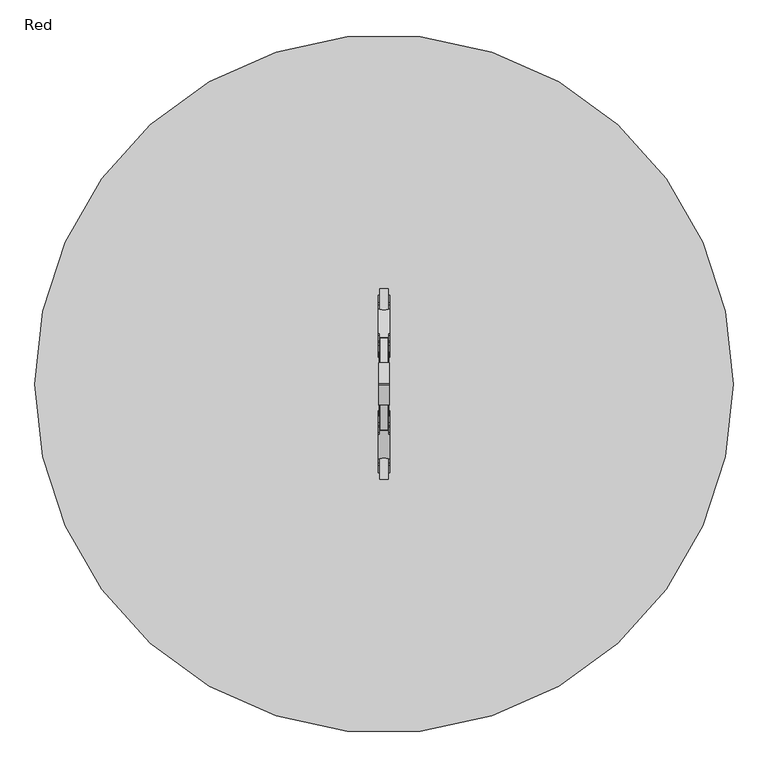
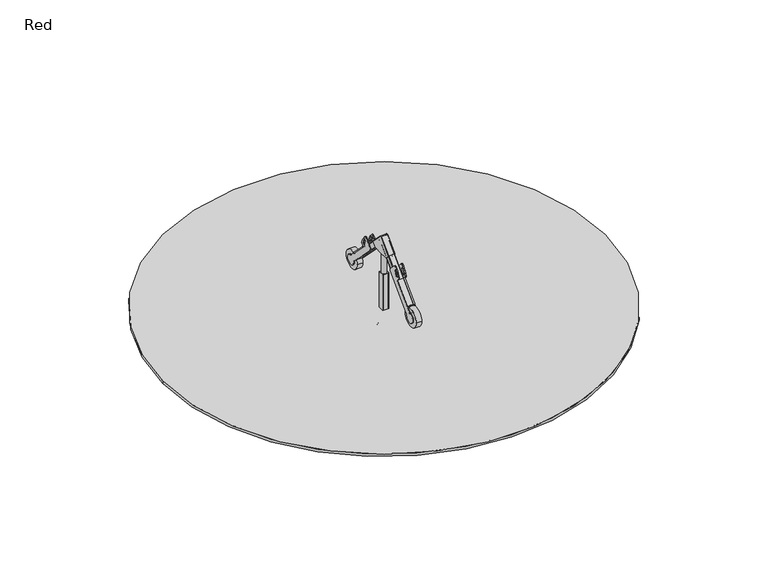
"""IFC4 building model written with IfcOpenShell, lengths in millimetres: furniture geometry, Red."""

from ifc_helpers import new_model, si_unit, point, frame, frame_2d, origin, place, context, project, spatial, polyline, circle_curve, trimmed, segment, composite_curve, outline, extrude, source, transform, mapped, element, save
from ifc_brep_helpers import plane_surface, cylinder_surface, extruded_surface, advanced_brep


def red_2515cc6c(model_context):
    return source(origin(), model_context, "Body", "SolidModel", [
        extrude(outline(composite_curve([segment(trimmed(circle_curve(frame_2d((638.5, 902.5)), 5.0), [point((643.5, 902.5))], [point((638.5, 897.5))], False, "CARTESIAN"), True, "CONTINUOUS"), segment(polyline([(638.5, 897.5), (553.5, 897.5)]), True, "CONTINUOUS"), segment(trimmed(circle_curve(frame_2d((553.5, 902.5)), 5.0), [point((553.5, 897.5))], [point((548.5, 902.5))], False, "CARTESIAN"), True, "CONTINUOUS"), segment(polyline([(548.5, 902.5), (548.5, 987.5)]), True, "CONTINUOUS"), segment(trimmed(circle_curve(frame_2d((553.5, 987.5)), 5.0), [point((548.5, 987.5))], [point((553.5, 992.5))], False, "CARTESIAN"), True, "CONTINUOUS"), segment(polyline([(553.5, 992.5), (638.5, 992.5)]), True, "CONTINUOUS"), segment(trimmed(circle_curve(frame_2d((638.5, 987.5)), 5.0), [point((638.5, 992.5))], [point((643.5, 987.5))], False, "CARTESIAN"), True, "CONTINUOUS"), segment(polyline([(643.5, 987.5), (643.5, 902.5)]), True, "CONTINUOUS")], self_intersect=False)), frame((0.0, 0.0, -600.0), z_axis=(0.0, 0.0, 1.0), x_axis=(1.0, 0.0, 0.0)), (0.0, 0.0, 1.0), 500.0),
        advanced_brep(
        [(686.0, 1095.0, -600.0), (746.0, 1035.0, -600.0), (746.0, 855.0, -600.0), (686.0, 795.0, -600.0), (506.0, 795.0, -600.0), (446.0, 855.0, -600.0), (446.0, 1035.0, -600.0), (506.0, 1095.0, -600.0), (506.0, 1095.0, -460.0), (686.0, 1095.0, -460.0), (446.0, 855.0, -460.0), (446.0, 1035.0, -460.0), (686.0, 795.0, -460.0), (506.0, 795.0, -460.0), (746.0, 1035.0, -460.0), (746.0, 855.0, -460.0), (583.7040451, 1017.6989403, -250.0), (523.7040451, 957.6989403, -250.0), (523.7040451, 932.3010597, -250.0), (583.7040451, 872.3010597, -250.0), (608.2959549, 872.3010597, -250.0), (668.2959549, 932.3010597, -250.0), (668.2959549, 957.6989403, -250.0), (608.2959549, 1017.6989403, -250.0)],
        [
            (0, 1, circle_curve(frame((686.0, 1035.0, -600.0), z_axis=(0.0, 0.0, -1.0), x_axis=(1.0, 0.0, 0.0)), 60.0)),
            (1, 2),
            (2, 3, circle_curve(frame((686.0, 855.0, -600.0), z_axis=(0.0, 0.0, -1.0), x_axis=(1.0, 0.0, 0.0)), 60.0)),
            (3, 4),
            (4, 5, circle_curve(frame((506.0, 855.0, -600.0), z_axis=(0.0, 0.0, -1.0), x_axis=(1.0, 0.0, 0.0)), 60.0)),
            (5, 6),
            (6, 7, circle_curve(frame((506.0, 1035.0, -600.0), z_axis=(0.0, 0.0, -1.0), x_axis=(1.0, 0.0, 0.0)), 60.0)),
            (7, 0),
            (7, 8),
            (8, 9),
            (9, 0),
            (5, 10),
            (10, 11),
            (11, 6),
            (3, 12),
            (12, 13),
            (13, 4),
            (1, 14),
            (14, 15),
            (15, 2),
            (16, 17, circle_curve(frame((583.7040451, 957.6989403, -250.0), z_axis=(0.0, 0.0, 1.0), x_axis=(1.0, 0.0, 0.0)), 60.0)),
            (17, 18),
            (18, 19, circle_curve(frame((583.7040451, 932.3010597, -250.0), z_axis=(0.0, 0.0, 1.0), x_axis=(1.0, 0.0, 0.0)), 60.0)),
            (19, 20),
            (20, 21, circle_curve(frame((608.2959549, 932.3010597, -250.0), z_axis=(0.0, 0.0, 1.0), x_axis=(1.0, 0.0, 0.0)), 60.0)),
            (21, 22),
            (22, 23, circle_curve(frame((608.2959549, 957.6989403, -250.0), z_axis=(0.0, 0.0, 1.0), x_axis=(1.0, 0.0, 0.0)), 60.0)),
            (23, 16),
            (17, 11),
            (10, 18),
            (19, 13),
            (12, 20),
            (21, 15),
            (14, 22),
            (23, 9),
            (8, 16),
            (11, 8, circle_curve(frame((506.0, 1035.0, -460.0), z_axis=(0.0, 0.0, -1.0), x_axis=(1.0, 0.0, 0.0)), 60.0)),
            (13, 10, circle_curve(frame((506.0, 855.0, -460.0), z_axis=(0.0, 0.0, -1.0), x_axis=(1.0, 0.0, 0.0)), 60.0)),
            (15, 12, circle_curve(frame((686.0, 855.0, -460.0), z_axis=(0.0, 0.0, -1.0), x_axis=(1.0, 0.0, 0.0)), 60.0)),
            (9, 14, circle_curve(frame((686.0, 1035.0, -460.0), z_axis=(0.0, 0.0, -1.0), x_axis=(1.0, 0.0, 0.0)), 60.0)),
        ],
        [
            plane_surface(frame((419.3670318, 1095.0, -600.0), z_axis=(0.0, 0.0, -1.0), x_axis=(1.0, 0.0, 0.0))),
            plane_surface(frame((686.0, 1095.0, -460.0), z_axis=(0.0, 1.0, 0.0), x_axis=(0.0, 0.0, -1.0))),
            plane_surface(frame((446.0, 1035.0, -460.0), z_axis=(-1.0, 0.0, 0.0), x_axis=(0.0, 0.0, -1.0))),
            plane_surface(frame((506.0, 795.0, -460.0), z_axis=(0.0, -1.0, 0.0), x_axis=(0.0, 0.0, -1.0))),
            plane_surface(frame((746.0, 855.0, -460.0), z_axis=(1.0, 0.0, 0.0), x_axis=(0.0, 0.0, -1.0))),
            plane_surface(frame((596.0, 945.0, -250.0), z_axis=(0.0, 0.0, 1.0), x_axis=(-1.0, 0.0, 0.0))),
            plane_surface(frame((446.0, 945.0, -460.0), z_axis=(-0.9378559633153523, 0.0, 0.3470247715564883), x_axis=(0.0, -1.0, 0.0))),
            plane_surface(frame((596.0, 795.0, -460.0), z_axis=(0.0, -0.9384407279810882, 0.3454402988452927), x_axis=(1.0, 0.0, 0.0))),
            plane_surface(frame((746.0, 945.0, -460.0), z_axis=(0.9378559633153524, 0.0, 0.34702477155648764), x_axis=(0.0, 1.0, 0.0))),
            plane_surface(frame((596.0, 1095.0, -460.0), z_axis=(0.0, 0.9384407279810884, 0.3454402988452924), x_axis=(-1.0, 0.0, 0.0))),
            cylinder_surface(frame((506.0, 1035.0, -600.0), z_axis=(0.0, 0.0, 1.0), x_axis=(1.0, 0.0, 0.0)), 60.0),
            cylinder_surface(frame((506.0, 855.0, -600.0), z_axis=(0.0, 0.0, 1.0), x_axis=(1.0, 0.0, 0.0)), 60.0),
            cylinder_surface(frame((686.0, 855.0, -600.0), z_axis=(0.0, 0.0, 1.0), x_axis=(1.0, 0.0, 0.0)), 60.0),
            cylinder_surface(frame((686.0, 1035.0, -600.0), z_axis=(0.0, 0.0, 1.0), x_axis=(1.0, 0.0, 0.0)), 60.0),
            extruded_surface(trimmed(circle_curve(frame((506.0, 1035.0, -460.0), z_axis=(0.0, 0.0, 1.0), x_axis=(1.0, 0.0, 0.0)), 60.0), [point((506.0, 1095.0, -460.0))], [point((446.0, 1035.0, -460.0))], True, "CARTESIAN"), (77.70404510000003, -77.3010597, 210.0), 236.88261324049472),
            extruded_surface(trimmed(circle_curve(frame((686.0, 1035.0, -460.0), z_axis=(0.0, 0.0, 1.0), x_axis=(1.0, 0.0, 0.0)), 60.0), [point((746.0, 1035.0, -460.0))], [point((686.0, 1095.0, -460.0))], True, "CARTESIAN"), (-77.70404510000003, -77.3010597, 210.0), 236.88261324049472),
            extruded_surface(trimmed(circle_curve(frame((506.0, 855.0, -460.0), z_axis=(0.0, 0.0, 1.0), x_axis=(1.0, 0.0, 0.0)), 60.0), [point((446.0, 855.0, -460.0))], [point((506.0, 795.0, -460.0))], True, "CARTESIAN"), (77.70404510000003, 77.3010597, 210.0), 236.88261324049472),
            extruded_surface(trimmed(circle_curve(frame((686.0, 855.0, -460.0), z_axis=(0.0, 0.0, 1.0), x_axis=(1.0, 0.0, 0.0)), 60.0), [point((686.0, 795.0, -460.0))], [point((746.0, 855.0, -460.0))], True, "CARTESIAN"), (-77.70404510000003, 77.3010597, 210.0), 236.88261324049472),
        ],
        [
            (0, [[1, 2, 3, 4, 5, 6, 7, 8]]),
            (1, [[-8, 9, 10, 11]]),
            (2, [[-6, 12, 13, 14]]),
            (3, [[-4, 15, 16, 17]]),
            (4, [[-2, 18, 19, 20]]),
            (5, [[21, 22, 23, 24, 25, 26, 27, 28]]),
            (6, [[-22, 29, -13, 30]]),
            (7, [[-24, 31, -16, 32]]),
            (8, [[-26, 33, -19, 34]]),
            (9, [[-28, 35, -10, 36]]),
            (10, [[-7, -14, 37, -9]]),
            (11, [[-5, -17, 38, -12]]),
            (12, [[-3, -20, 39, -15]]),
            (13, [[-1, -11, 40, -18]]),
            (14, [[-21, -36, -37, -29]]),
            (15, [[-27, -34, -40, -35]]),
            (16, [[-23, -30, -38, -31]]),
            (17, [[-25, -32, -39, -33]]),
        ],
    ),
        extrude(outline(composite_curve([segment(trimmed(circle_curve(frame_2d((596.0, 945.0)), 40.0), [point((556.0, 945.0))], [point((636.0, 945.0))], False, "CARTESIAN"), True, "CONTINUOUS"), segment(trimmed(circle_curve(frame_2d((596.0, 945.0)), 40.0), [point((636.0, 945.0))], [point((556.0, 945.0))], False, "CARTESIAN"), True, "CONTINUOUS")], self_intersect=False)), frame((0.0, 0.0, 600.0), z_axis=(0.0, 0.0, 1.0), x_axis=(1.0, 0.0, 0.0)), (0.0, 0.0, 1.0), 452.4925261),
        extrude(outline(composite_curve([segment(trimmed(circle_curve(frame_2d((638.5, 987.5)), 5.0), [point((638.5, 992.5))], [point((643.5, 987.5))], False, "CARTESIAN"), True, "CONTINUOUS"), segment(polyline([(643.5, 987.5), (643.5, 902.5)]), True, "CONTINUOUS"), segment(trimmed(circle_curve(frame_2d((638.5, 902.5)), 5.0), [point((643.5, 902.5))], [point((638.5, 897.5))], False, "CARTESIAN"), True, "CONTINUOUS"), segment(polyline([(638.5, 897.5), (553.5, 897.5)]), True, "CONTINUOUS"), segment(trimmed(circle_curve(frame_2d((553.5, 902.5)), 5.0), [point((553.5, 897.5))], [point((548.5, 902.5))], False, "CARTESIAN"), True, "CONTINUOUS"), segment(polyline([(548.5, 902.5), (548.5, 987.5)]), True, "CONTINUOUS"), segment(trimmed(circle_curve(frame_2d((553.5, 987.5)), 5.0), [point((548.5, 987.5))], [point((553.5, 992.5))], False, "CARTESIAN"), True, "CONTINUOUS"), segment(polyline([(553.5, 992.5), (638.5, 992.5)]), True, "CONTINUOUS")], self_intersect=False)), frame((0.0, 0.0, -100.0), z_axis=(0.0, 0.0, 1.0), x_axis=(1.0, 0.0, 0.0)), (0.0, 0.0, 1.0), 700.0),
        extrude(outline(composite_curve([segment(polyline([(10.0, -10.0), (10.0, -59.5), (10.0, -108.9998176)]), True, "CONTINUOUS"), segment(trimmed(circle_curve(frame_2d((-0.0001824, -108.9998176)), 10.0001824), [point((10.0, -108.9998176))], [point((-0.0001824, -119.0))], False, "CARTESIAN"), True, "CONTINUOUS"), segment(polyline([(-0.0001824, -119.0), (-374.9986164, -119.0)]), True, "CONTINUOUS"), segment(trimmed(circle_curve(frame_2d((-374.9986164, -109.0037704)), 9.9962296), [point((-374.9986164, -119.0))], [point((-384.9852075, -108.5649029))], False, "CARTESIAN"), True, "CONTINUOUS"), segment(trimmed(circle_curve(frame_2d((-506.5138496, -59.5084952)), 131.056255), [point((-384.9852075, -108.5649029))], [point((-384.9903432, -10.4393668))], True, "CARTESIAN"), True, "CONTINUOUS"), segment(trimmed(circle_curve(frame_2d((-375.0, -10.0)), 10.0), [point((-384.9903432, -10.4393668))], [point((-375.0, 0.0))], False, "CARTESIAN"), True, "CONTINUOUS"), segment(polyline([(-375.0, 0.0), (0.0, 0.0)]), True, "CONTINUOUS"), segment(trimmed(circle_curve(frame_2d((0.0, -10.0)), 10.0), [point((0.0, 0.0))], [point((10.0, -10.0))], False, "CARTESIAN"), True, "CONTINUOUS")], self_intersect=False)), frame((655.5, 1414.6037691, 757.5443878), z_axis=(0.0, 0.7071067811865493, 0.7071067811865458), x_axis=(0.0, -0.7071067811865458, 0.7071067811865493)), (0.0, 0.0, 1.0), 12.0),
        extrude(outline(composite_curve([segment(trimmed(circle_curve(frame_2d((945.0, 1213.0060212)), 10.0), [point((952.0710678, 1220.077089))], [point((937.9289322, 1220.077089))], True, "CARTESIAN"), True, "CONTINUOUS"), segment(polyline([(937.9289322, 1220.077089), (735.6975066, 1017.8456634), (733.5761862, 1019.9669838), (935.8076118, 1222.1984094)]), True, "CONTINUOUS"), segment(trimmed(circle_curve(frame_2d((945.0, 1213.0060212)), 13.0), [point((935.8076118, 1222.1984094))], [point((954.1923882, 1222.1984094))], False, "CARTESIAN"), True, "CONTINUOUS"), segment(polyline([(954.1923882, 1222.1984094), (1156.4238138, 1019.9669838), (1154.3024934, 1017.8456634), (952.0710678, 1220.077089)]), True, "CONTINUOUS")], self_intersect=False)), frame((545.5, 0.0, 0.0), z_axis=(1.0, 0.0, 0.0), x_axis=(0.0, 1.0, 0.0)), (0.0, 0.0, 1.0), 101.0),
        extrude(outline(composite_curve([segment(polyline([(952.0710678, 1220.077089), (1154.3024934, 1017.8456634)]), True, "CONTINUOUS"), segment(trimmed(circle_curve(frame_2d((1147.2314256, 1010.7745956)), 10.0), [point((1154.3024934, 1017.8456634))], [point((1154.3024934, 1003.7035278))], False, "CARTESIAN"), True, "CONTINUOUS"), segment(polyline([(1154.3024934, 1003.7035278), (1097.1273492, 946.5283836)]), True, "CONTINUOUS"), segment(trimmed(circle_curve(frame_2d((1090.0562814, 953.5994514)), 10.0), [point((1097.1273492, 946.5283836))], [point((1090.0562814, 943.5994514))], False, "CARTESIAN"), True, "CONTINUOUS"), segment(polyline([(1090.0562814, 943.5994514), (945.0, 943.5994514), (799.9437186, 943.5994514)]), True, "CONTINUOUS"), segment(trimmed(circle_curve(frame_2d((799.9437186, 953.5994514)), 10.0), [point((799.9437186, 943.5994514))], [point((792.8726508, 946.5283836))], False, "CARTESIAN"), True, "CONTINUOUS"), segment(polyline([(792.8726508, 946.5283836), (735.6975066, 1003.7035278)]), True, "CONTINUOUS"), segment(trimmed(circle_curve(frame_2d((742.7685744, 1010.7745956)), 10.0), [point((735.6975066, 1003.7035278))], [point((735.6975066, 1017.8456634))], False, "CARTESIAN"), True, "CONTINUOUS"), segment(polyline([(735.6975066, 1017.8456634), (937.9289322, 1220.077089)]), True, "CONTINUOUS"), segment(trimmed(circle_curve(frame_2d((945.0, 1213.0060212)), 10.0), [point((937.9289322, 1220.077089))], [point((952.0710678, 1220.077089))], False, "CARTESIAN"), True, "CONTINUOUS")], self_intersect=False)), frame((545.5, 0.0, 0.0), z_axis=(1.0, 0.0, 0.0), x_axis=(0.0, 1.0, 0.0)), (0.0, 0.0, 1.0), 3.0),
        extrude(outline(composite_curve([segment(polyline([(952.0710678, 1220.077089), (1154.3024934, 1017.8456634)]), True, "CONTINUOUS"), segment(trimmed(circle_curve(frame_2d((1147.2314256, 1010.7745956)), 10.0), [point((1154.3024934, 1017.8456634))], [point((1154.3024934, 1003.7035278))], False, "CARTESIAN"), True, "CONTINUOUS"), segment(polyline([(1154.3024934, 1003.7035278), (1097.1273492, 946.5283836)]), True, "CONTINUOUS"), segment(trimmed(circle_curve(frame_2d((1090.0562814, 953.5994514)), 10.0), [point((1097.1273492, 946.5283836))], [point((1090.0562814, 943.5994514))], False, "CARTESIAN"), True, "CONTINUOUS"), segment(polyline([(1090.0562814, 943.5994514), (945.0, 943.5994514), (799.9437186, 943.5994514)]), True, "CONTINUOUS"), segment(trimmed(circle_curve(frame_2d((799.9437186, 953.5994514)), 10.0), [point((799.9437186, 943.5994514))], [point((792.8726508, 946.5283836))], False, "CARTESIAN"), True, "CONTINUOUS"), segment(polyline([(792.8726508, 946.5283836), (735.6975066, 1003.7035278)]), True, "CONTINUOUS"), segment(trimmed(circle_curve(frame_2d((742.7685744, 1010.7745956)), 10.0), [point((735.6975066, 1003.7035278))], [point((735.6975066, 1017.8456634))], False, "CARTESIAN"), True, "CONTINUOUS"), segment(polyline([(735.6975066, 1017.8456634), (937.9289322, 1220.077089)]), True, "CONTINUOUS"), segment(trimmed(circle_curve(frame_2d((945.0, 1213.0060212)), 10.0), [point((937.9289322, 1220.077089))], [point((952.0710678, 1220.077089))], False, "CARTESIAN"), True, "CONTINUOUS")], self_intersect=False)), frame((643.5, 0.0, 0.0), z_axis=(1.0, 0.0, 0.0), x_axis=(0.0, 1.0, 0.0)), (0.0, 0.0, 1.0), 3.0),
        extrude(outline(composite_curve([segment(polyline([(668.4363822, 816.2342506), (223.4381844, 371.2360529)]), True, "CONTINUOUS"), segment(trimmed(circle_curve(frame_2d((248.1869218, 346.4873155)), 35.0), [point((223.4381844, 371.2360529))], [point((213.2091137, 345.2411433))], True, "CARTESIAN"), True, "CONTINUOUS"), segment(trimmed(circle_curve(frame_2d((133.1145244, 342.3875724)), 80.1454061), [point((213.2091137, 345.2411433))], [point((127.9153259, 422.3641593))], False, "CARTESIAN"), True, "CONTINUOUS"), segment(trimmed(circle_curve(frame_2d((125.6448034, 457.2904349)), 35.0), [point((127.9153259, 422.3641593))], [point((150.3935407, 432.5416976))], True, "CARTESIAN"), True, "CONTINUOUS"), segment(polyline([(150.3935407, 432.5416976), (482.4672987, 764.6154556), (446.2260438, 800.8567105)]), True, "CONTINUOUS"), segment(trimmed(circle_curve(frame_2d((461.782393, 816.4130597)), 22.0), [point((446.2260438, 800.8567105))], [point((440.9809843, 823.5755591))], False, "CARTESIAN"), True, "CONTINUOUS"), segment(polyline([(440.9809843, 823.5755591), (452.0537176, 855.7331115)]), True, "CONTINUOUS"), segment(trimmed(circle_curve(frame_2d((676.8761954, 778.3205242)), 237.7769022), [point((452.0537176, 855.7331115))], [point((508.7425355, 946.4541842))], False, "CARTESIAN"), True, "CONTINUOUS"), segment(polyline([(508.7425355, 946.4541842), (523.479492, 961.1911408)]), True, "CONTINUOUS"), segment(trimmed(circle_curve(frame_2d((539.0358412, 945.6347916)), 22.0), [point((523.479492, 961.1911408))], [point((554.5921904, 961.1911408))], False, "CARTESIAN"), True, "CONTINUOUS"), segment(polyline([(554.5921904, 961.1911408), (668.4363822, 847.346949)]), True, "CONTINUOUS"), segment(trimmed(circle_curve(frame_2d((652.880033, 831.7905998)), 22.0), [point((668.4363822, 847.346949))], [point((668.4363822, 816.2342506))], False, "CARTESIAN"), True, "CONTINUOUS")], self_intersect=False), holes=[composite_curve([segment(trimmed(circle_curve(frame_2d((505.4455352, 819.3639558)), 5.0), [point((503.8176944, 814.636363))], [point((510.1731281, 817.7361151))], True, "CARTESIAN"), True, "CONTINUOUS"), segment(polyline([(510.1731281, 817.7361151), (537.8464212, 898.105194)]), True, "CONTINUOUS"), segment(trimmed(circle_curve(frame_2d((533.1188283, 899.7330348)), 5.0), [point((537.8464212, 898.105194))], [point((534.7466691, 904.4606276))], True, "CARTESIAN"), True, "CONTINUOUS"), segment(polyline([(534.7466691, 904.4606276), (506.3811118, 914.2276723)]), True, "CONTINUOUS"), segment(trimmed(circle_curve(frame_2d((504.7532711, 909.5000794)), 5.0), [point((506.3811118, 914.2276723))], [point((500.0256782, 911.1279202))], True, "CARTESIAN"), True, "CONTINUOUS"), segment(polyline([(500.0256782, 911.1279202), (472.3523851, 830.7588412)]), True, "CONTINUOUS"), segment(trimmed(circle_curve(frame_2d((477.0799779, 829.1310005)), 5.0), [point((472.3523851, 830.7588412))], [point((475.4521372, 824.4034076))], True, "CARTESIAN"), True, "CONTINUOUS"), segment(polyline([(475.4521372, 824.4034076), (503.8176944, 814.636363)]), True, "CONTINUOUS")], self_intersect=False)]), frame((643.5, 0.0, 0.0), z_axis=(1.0, 0.0, 0.0), x_axis=(0.0, 1.0, 0.0)), (0.0, 0.0, 1.0), 12.0),
        extrude(outline(composite_curve([segment(polyline([(668.4363822, 816.2342506), (223.4381844, 371.2360529)]), True, "CONTINUOUS"), segment(trimmed(circle_curve(frame_2d((248.1869218, 346.4873155)), 35.0), [point((223.4381844, 371.2360529))], [point((213.2091137, 345.2411433))], True, "CARTESIAN"), True, "CONTINUOUS"), segment(trimmed(circle_curve(frame_2d((133.1145244, 342.3875724)), 80.1454061), [point((213.2091137, 345.2411433))], [point((127.9153259, 422.3641593))], False, "CARTESIAN"), True, "CONTINUOUS"), segment(trimmed(circle_curve(frame_2d((125.6448034, 457.2904349)), 35.0), [point((127.9153259, 422.3641593))], [point((150.3935407, 432.5416976))], True, "CARTESIAN"), True, "CONTINUOUS"), segment(polyline([(150.3935407, 432.5416976), (482.4672987, 764.6154556), (446.2260438, 800.8567105)]), True, "CONTINUOUS"), segment(trimmed(circle_curve(frame_2d((461.782393, 816.4130597)), 22.0), [point((446.2260438, 800.8567105))], [point((440.9809843, 823.5755591))], False, "CARTESIAN"), True, "CONTINUOUS"), segment(polyline([(440.9809843, 823.5755591), (452.0537176, 855.7331115)]), True, "CONTINUOUS"), segment(trimmed(circle_curve(frame_2d((676.8761954, 778.3205242)), 237.7769022), [point((452.0537176, 855.7331115))], [point((508.7425355, 946.4541842))], False, "CARTESIAN"), True, "CONTINUOUS"), segment(polyline([(508.7425355, 946.4541842), (523.479492, 961.1911408)]), True, "CONTINUOUS"), segment(trimmed(circle_curve(frame_2d((539.0358412, 945.6347916)), 22.0), [point((523.479492, 961.1911408))], [point((554.5921904, 961.1911408))], False, "CARTESIAN"), True, "CONTINUOUS"), segment(polyline([(554.5921904, 961.1911408), (668.4363822, 847.346949)]), True, "CONTINUOUS"), segment(trimmed(circle_curve(frame_2d((652.880033, 831.7905998)), 22.0), [point((668.4363822, 847.346949))], [point((668.4363822, 816.2342506))], False, "CARTESIAN"), True, "CONTINUOUS")], self_intersect=False), holes=[composite_curve([segment(trimmed(circle_curve(frame_2d((505.4455352, 819.3639558)), 5.0), [point((503.8176944, 814.636363))], [point((510.1731281, 817.7361151))], True, "CARTESIAN"), True, "CONTINUOUS"), segment(polyline([(510.1731281, 817.7361151), (537.8464212, 898.105194)]), True, "CONTINUOUS"), segment(trimmed(circle_curve(frame_2d((533.1188283, 899.7330348)), 5.0), [point((537.8464212, 898.105194))], [point((534.7466691, 904.4606276))], True, "CARTESIAN"), True, "CONTINUOUS"), segment(polyline([(534.7466691, 904.4606276), (506.3811118, 914.2276723)]), True, "CONTINUOUS"), segment(trimmed(circle_curve(frame_2d((504.7532711, 909.5000794)), 5.0), [point((506.3811118, 914.2276723))], [point((500.0256782, 911.1279202))], True, "CARTESIAN"), True, "CONTINUOUS"), segment(polyline([(500.0256782, 911.1279202), (472.3523851, 830.7588412)]), True, "CONTINUOUS"), segment(trimmed(circle_curve(frame_2d((477.0799779, 829.1310005)), 5.0), [point((472.3523851, 830.7588412))], [point((475.4521372, 824.4034076))], True, "CARTESIAN"), True, "CONTINUOUS"), segment(polyline([(475.4521372, 824.4034076), (503.8176944, 814.636363)]), True, "CONTINUOUS")], self_intersect=False)]), frame((536.5, 0.0, 0.0), z_axis=(1.0, 0.0, 0.0), x_axis=(0.0, 1.0, 0.0)), (0.0, 0.0, 1.0), 12.0),
        extrude(outline(composite_curve([segment(trimmed(circle_curve(frame_2d((133.690968, 341.4166961)), 150.0), [point((283.690968, 341.4166961))], [point((-16.309032, 341.4166961))], False, "CARTESIAN"), True, "CONTINUOUS"), segment(trimmed(circle_curve(frame_2d((133.690968, 341.4166961)), 150.0), [point((-16.309032, 341.4166961))], [point((283.690968, 341.4166961))], False, "CARTESIAN"), True, "CONTINUOUS")], self_intersect=False), holes=[composite_curve([segment(trimmed(circle_curve(frame_2d((133.690968, 341.4166961)), 60.0), [point((193.690968, 341.4166961))], [point((73.690968, 341.4166961))], True, "CARTESIAN"), True, "CONTINUOUS"), segment(trimmed(circle_curve(frame_2d((133.690968, 341.4166961)), 60.0), [point((73.690968, 341.4166961))], [point((193.690968, 341.4166961))], True, "CARTESIAN"), True, "CONTINUOUS")], self_intersect=False)]), frame((553.4801803, 0.0, 0.0), z_axis=(1.0, 0.0, 0.0), x_axis=(0.0, 1.0, 0.0)), (0.0, 0.0, 1.0), 85.6782978),
        extrude(outline(composite_curve([segment(trimmed(circle_curve(frame_2d((49.5, -10.0)), 10.0), [point((49.5, 0.0))], [point((59.5, -10.0))], False, "CARTESIAN"), True, "CONTINUOUS"), segment(polyline([(59.5, -10.0), (59.5, -385.0)]), True, "CONTINUOUS"), segment(trimmed(circle_curve(frame_2d((49.5, -385.0)), 10.0), [point((59.5, -385.0))], [point((49.0606332, -394.9903432))], False, "CARTESIAN"), True, "CONTINUOUS"), segment(trimmed(circle_curve(frame_2d((-0.0084952, -516.5138496)), 131.056255), [point((49.0606332, -394.9903432))], [point((-49.0649029, -394.9852075))], True, "CARTESIAN"), True, "CONTINUOUS"), segment(trimmed(circle_curve(frame_2d((-49.5037704, -384.9986164)), 9.9962296), [point((-49.0649029, -394.9852075))], [point((-59.5, -384.9986164))], False, "CARTESIAN"), True, "CONTINUOUS"), segment(polyline([(-59.5, -384.9986164), (-59.5, -10.0001824)]), True, "CONTINUOUS"), segment(trimmed(circle_curve(frame_2d((-49.4998176, -10.0001824)), 10.0001824), [point((-59.5, -10.0001824))], [point((-49.4998176, 0.0))], False, "CARTESIAN"), True, "CONTINUOUS"), segment(polyline([(-49.4998176, 0.0), (0.0, 0.0), (49.5, 0.0)]), True, "CONTINUOUS")], self_intersect=False)), frame((596.0, 482.4672987, 764.6154556), z_axis=(0.0, -0.7071067811865492, 0.7071067811865459), x_axis=(1.0, 0.0, 0.0)), (0.0, 0.0, 1.0), 12.0),
        extrude(outline(composite_curve([segment(trimmed(circle_curve(frame_2d((0.0, -5.0)), 5.0), [point((5.0, -5.0))], [point((0.0, -10.0))], False, "CARTESIAN"), True, "CONTINUOUS"), segment(polyline([(0.0, -10.0), (-85.0, -10.0)]), True, "CONTINUOUS"), segment(trimmed(circle_curve(frame_2d((-85.0, -5.0)), 5.0), [point((-85.0, -10.0))], [point((-90.0, -5.0))], False, "CARTESIAN"), True, "CONTINUOUS"), segment(polyline([(-90.0, -5.0), (-90.0, 80.0)]), True, "CONTINUOUS"), segment(trimmed(circle_curve(frame_2d((-85.0, 80.0)), 5.0), [point((-90.0, 80.0))], [point((-85.0, 85.0))], False, "CARTESIAN"), True, "CONTINUOUS"), segment(polyline([(-85.0, 85.0), (0.0, 85.0)]), True, "CONTINUOUS"), segment(trimmed(circle_curve(frame_2d((0.0, 80.0)), 5.0), [point((0.0, 85.0))], [point((5.0, 80.0))], False, "CARTESIAN"), True, "CONTINUOUS"), segment(polyline([(5.0, 80.0), (5.0, -5.0)]), True, "CONTINUOUS")], self_intersect=False)), frame((633.5, 266.7997305, 421.6686667), z_axis=(0.0, 0.7071067811865458, 0.7071067811865493), x_axis=(0.0, 0.7071067811865493, -0.7071067811865458)), (0.0, 0.0, 1.0), 951.65692),
        extrude(outline(composite_curve([segment(trimmed(circle_curve(frame_2d((1237.119967, 831.7905998)), 22.0), [point((1221.5636178, 816.2342506))], [point((1221.5636178, 847.346949))], False, "CARTESIAN"), True, "CONTINUOUS"), segment(polyline([(1221.5636178, 847.346949), (1335.4078096, 961.1911408)]), True, "CONTINUOUS"), segment(trimmed(circle_curve(frame_2d((1350.9641588, 945.6347916)), 22.0), [point((1335.4078096, 961.1911408))], [point((1366.520508, 961.1911408))], False, "CARTESIAN"), True, "CONTINUOUS"), segment(polyline([(1366.520508, 961.1911408), (1381.2574645, 946.4541842)]), True, "CONTINUOUS"), segment(trimmed(circle_curve(frame_2d((1213.1238046, 778.3205242)), 237.7769022), [point((1381.2574645, 946.4541842))], [point((1437.9462824, 855.7331115))], False, "CARTESIAN"), True, "CONTINUOUS"), segment(polyline([(1437.9462824, 855.7331115), (1449.0190157, 823.5755591)]), True, "CONTINUOUS"), segment(trimmed(circle_curve(frame_2d((1428.217607, 816.4130597)), 22.0), [point((1449.0190157, 823.5755591))], [point((1443.7739562, 800.8567105))], False, "CARTESIAN"), True, "CONTINUOUS"), segment(polyline([(1443.7739562, 800.8567105), (1407.5327013, 764.6154556), (1739.6064593, 432.5416976)]), True, "CONTINUOUS"), segment(trimmed(circle_curve(frame_2d((1764.3551966, 457.2904349)), 35.0), [point((1739.6064593, 432.5416976))], [point((1762.0846741, 422.3641593))], True, "CARTESIAN"), True, "CONTINUOUS"), segment(trimmed(circle_curve(frame_2d((1756.8854756, 342.3875724)), 80.1454061), [point((1762.0846741, 422.3641593))], [point((1676.7908863, 345.2411433))], False, "CARTESIAN"), True, "CONTINUOUS"), segment(trimmed(circle_curve(frame_2d((1641.8130782, 346.4873155)), 35.0), [point((1676.7908863, 345.2411433))], [point((1666.5618156, 371.2360529))], True, "CARTESIAN"), True, "CONTINUOUS"), segment(polyline([(1666.5618156, 371.2360529), (1221.5636178, 816.2342506)]), True, "CONTINUOUS")], self_intersect=False), holes=[composite_curve([segment(polyline([(1386.1823056, 814.636363), (1414.5478628, 824.4034076)]), True, "CONTINUOUS"), segment(trimmed(circle_curve(frame_2d((1412.9200221, 829.1310005)), 5.0), [point((1414.5478628, 824.4034076))], [point((1417.6476149, 830.7588412))], True, "CARTESIAN"), True, "CONTINUOUS"), segment(polyline([(1417.6476149, 830.7588412), (1389.9743218, 911.1279202)]), True, "CONTINUOUS"), segment(trimmed(circle_curve(frame_2d((1385.2467289, 909.5000794)), 5.0), [point((1389.9743218, 911.1279202))], [point((1383.6188882, 914.2276723))], True, "CARTESIAN"), True, "CONTINUOUS"), segment(polyline([(1383.6188882, 914.2276723), (1355.2533309, 904.4606276)]), True, "CONTINUOUS"), segment(trimmed(circle_curve(frame_2d((1356.8811717, 899.7330348)), 5.0), [point((1355.2533309, 904.4606276))], [point((1352.1535788, 898.105194))], True, "CARTESIAN"), True, "CONTINUOUS"), segment(polyline([(1352.1535788, 898.105194), (1379.8268719, 817.7361151)]), True, "CONTINUOUS"), segment(trimmed(circle_curve(frame_2d((1384.5544648, 819.3639558)), 5.0), [point((1379.8268719, 817.7361151))], [point((1386.1823056, 814.636363))], True, "CARTESIAN"), True, "CONTINUOUS")], self_intersect=False)]), frame((643.5, 0.0, 0.0), z_axis=(1.0, 0.0, 0.0), x_axis=(0.0, 1.0, 0.0)), (0.0, 0.0, 1.0), 12.0),
        extrude(outline(composite_curve([segment(trimmed(circle_curve(frame_2d((1237.119967, 831.7905998)), 22.0), [point((1221.5636178, 816.2342506))], [point((1221.5636178, 847.346949))], False, "CARTESIAN"), True, "CONTINUOUS"), segment(polyline([(1221.5636178, 847.346949), (1335.4078096, 961.1911408)]), True, "CONTINUOUS"), segment(trimmed(circle_curve(frame_2d((1350.9641588, 945.6347916)), 22.0), [point((1335.4078096, 961.1911408))], [point((1366.520508, 961.1911408))], False, "CARTESIAN"), True, "CONTINUOUS"), segment(polyline([(1366.520508, 961.1911408), (1381.2574645, 946.4541842)]), True, "CONTINUOUS"), segment(trimmed(circle_curve(frame_2d((1213.1238046, 778.3205242)), 237.7769022), [point((1381.2574645, 946.4541842))], [point((1437.9462824, 855.7331115))], False, "CARTESIAN"), True, "CONTINUOUS"), segment(polyline([(1437.9462824, 855.7331115), (1449.0190157, 823.5755591)]), True, "CONTINUOUS"), segment(trimmed(circle_curve(frame_2d((1428.217607, 816.4130597)), 22.0), [point((1449.0190157, 823.5755591))], [point((1443.7739562, 800.8567105))], False, "CARTESIAN"), True, "CONTINUOUS"), segment(polyline([(1443.7739562, 800.8567105), (1407.5327013, 764.6154556), (1739.6064593, 432.5416976)]), True, "CONTINUOUS"), segment(trimmed(circle_curve(frame_2d((1764.3551966, 457.2904349)), 35.0), [point((1739.6064593, 432.5416976))], [point((1762.0846741, 422.3641593))], True, "CARTESIAN"), True, "CONTINUOUS"), segment(trimmed(circle_curve(frame_2d((1756.8854756, 342.3875724)), 80.1454061), [point((1762.0846741, 422.3641593))], [point((1676.7908863, 345.2411433))], False, "CARTESIAN"), True, "CONTINUOUS"), segment(trimmed(circle_curve(frame_2d((1641.8130782, 346.4873155)), 35.0), [point((1676.7908863, 345.2411433))], [point((1666.5618156, 371.2360529))], True, "CARTESIAN"), True, "CONTINUOUS"), segment(polyline([(1666.5618156, 371.2360529), (1221.5636178, 816.2342506)]), True, "CONTINUOUS")], self_intersect=False), holes=[composite_curve([segment(polyline([(1386.1823056, 814.636363), (1414.5478628, 824.4034076)]), True, "CONTINUOUS"), segment(trimmed(circle_curve(frame_2d((1412.9200221, 829.1310005)), 5.0), [point((1414.5478628, 824.4034076))], [point((1417.6476149, 830.7588412))], True, "CARTESIAN"), True, "CONTINUOUS"), segment(polyline([(1417.6476149, 830.7588412), (1389.9743218, 911.1279202)]), True, "CONTINUOUS"), segment(trimmed(circle_curve(frame_2d((1385.2467289, 909.5000794)), 5.0), [point((1389.9743218, 911.1279202))], [point((1383.6188882, 914.2276723))], True, "CARTESIAN"), True, "CONTINUOUS"), segment(polyline([(1383.6188882, 914.2276723), (1355.2533309, 904.4606276)]), True, "CONTINUOUS"), segment(trimmed(circle_curve(frame_2d((1356.8811717, 899.7330348)), 5.0), [point((1355.2533309, 904.4606276))], [point((1352.1535788, 898.105194))], True, "CARTESIAN"), True, "CONTINUOUS"), segment(polyline([(1352.1535788, 898.105194), (1379.8268719, 817.7361151)]), True, "CONTINUOUS"), segment(trimmed(circle_curve(frame_2d((1384.5544648, 819.3639558)), 5.0), [point((1379.8268719, 817.7361151))], [point((1386.1823056, 814.636363))], True, "CARTESIAN"), True, "CONTINUOUS")], self_intersect=False)]), frame((536.5, 0.0, 0.0), z_axis=(1.0, 0.0, 0.0), x_axis=(0.0, 1.0, 0.0)), (0.0, 0.0, 1.0), 12.0),
        extrude(outline(composite_curve([segment(trimmed(circle_curve(frame_2d((1756.309032, 341.4166961)), 150.0), [point((1606.309032, 341.4166961))], [point((1906.309032, 341.4166961))], False, "CARTESIAN"), True, "CONTINUOUS"), segment(trimmed(circle_curve(frame_2d((1756.309032, 341.4166961)), 150.0), [point((1906.309032, 341.4166961))], [point((1606.309032, 341.4166961))], False, "CARTESIAN"), True, "CONTINUOUS")], self_intersect=False), holes=[composite_curve([segment(trimmed(circle_curve(frame_2d((1756.309032, 341.4166961)), 60.0), [point((1696.309032, 341.4166961))], [point((1816.309032, 341.4166961))], True, "CARTESIAN"), True, "CONTINUOUS"), segment(trimmed(circle_curve(frame_2d((1756.309032, 341.4166961)), 60.0), [point((1816.309032, 341.4166961))], [point((1696.309032, 341.4166961))], True, "CARTESIAN"), True, "CONTINUOUS")], self_intersect=False)]), frame((553.4801803, 0.0, 0.0), z_axis=(1.0, 0.0, 0.0), x_axis=(0.0, 1.0, 0.0)), (0.0, 0.0, 1.0), 85.6782978),
        extrude(outline(composite_curve([segment(polyline([(-90.0, 0.0), (-5.0, 0.0)]), True, "CONTINUOUS"), segment(trimmed(circle_curve(frame_2d((-5.0, -5.0)), 5.0), [point((-5.0, 0.0))], [point((0.0, -5.0))], False, "CARTESIAN"), True, "CONTINUOUS"), segment(polyline([(0.0, -5.0), (0.0, -90.0)]), True, "CONTINUOUS"), segment(trimmed(circle_curve(frame_2d((-5.0, -90.0)), 5.0), [point((0.0, -90.0))], [point((-5.0, -95.0))], False, "CARTESIAN"), True, "CONTINUOUS"), segment(polyline([(-5.0, -95.0), (-90.0, -95.0)]), True, "CONTINUOUS"), segment(trimmed(circle_curve(frame_2d((-90.0, -90.0)), 5.0), [point((-90.0, -95.0))], [point((-95.0, -90.0))], False, "CARTESIAN"), True, "CONTINUOUS"), segment(polyline([(-95.0, -90.0), (-95.0, -5.0)]), True, "CONTINUOUS"), segment(trimmed(circle_curve(frame_2d((-90.0, -5.0)), 5.0), [point((-95.0, -5.0))], [point((-90.0, 0.0))], False, "CARTESIAN"), True, "CONTINUOUS")], self_intersect=False)), frame((548.5, 1619.6647356, 418.1331328), z_axis=(0.0, -0.7071067811865459, 0.7071067811865492), x_axis=(-1.0, 0.0, 0.0)), (0.0, 0.0, 1.0), 951.65692),
        extrude(outline(composite_curve([segment(trimmed(circle_curve(frame_2d((596.0, 945.0)), 3514.0), [point((-2918.0, 945.0))], [point((4110.0, 945.0))], False, "CARTESIAN"), True, "CONTINUOUS"), segment(trimmed(circle_curve(frame_2d((596.0, 945.0)), 3514.0), [point((4110.0, 945.0))], [point((-2918.0, 945.0))], False, "CARTESIAN"), True, "CONTINUOUS")], self_intersect=False)), frame((0.0, 0.0, -40.0), z_axis=(0.0, 0.0, 1.0), x_axis=(1.0, 0.0, 0.0)), (0.0, 0.0, 1.0), 41.0),
    ])


if __name__ == "__main__":
    model = new_model("IFC4")
    model_context = context("Model", 3, world=origin())
    ifc_project = project(units=[si_unit("LENGTHUNIT", "METRE", prefix="MILLI")], contexts=[model_context])
    site = spatial("IfcSite", under=ifc_project)
    building = spatial("IfcBuilding", under=site)
    placement = place(None, origin())
    red_shape = red_2515cc6c(model_context)
    element("IfcFurniture", 1, ObjectType="Red", at=placement, inside=building, context=model_context, shape_type="MappedRepresentation", body=[
        mapped(red_shape, transform((0.0, 0.0, 0.0), x_axis=(1.0, 0.0, 0.0), y_axis=(0.0, 1.0, 0.0), z_axis=(0.0, 0.0, 1.0))),
    ])
    save(model, "model.ifc")
